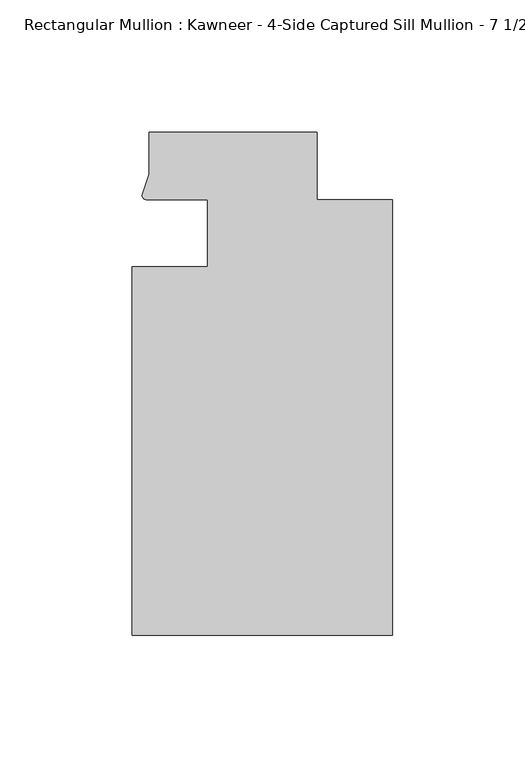
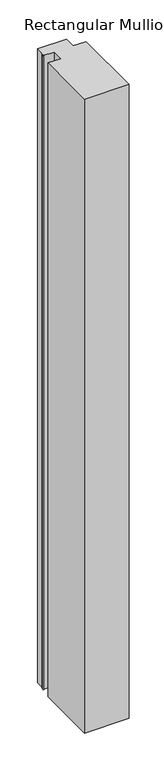
"""IFC4 building model written with IfcOpenShell, lengths in millimetres: member geometry."""

from ifc_helpers import new_model, si_unit, point, frame, frame_2d, origin, place, context, project, spatial, polyline, circle_curve, trimmed, segment, composite_curve, outline, extrude, source, transform, mapped, element, save


def member_b3d2f28e(model_context):
    return source(origin(), model_context, "Body", "SweptSolid", [
        extrude(outline(composite_curve([segment(polyline([(-69.85, -12.7), (-69.85, 12.700061), (-93.1091288, 12.700061)]), True, "CONTINUOUS"), segment(trimmed(circle_curve(frame_2d((-93.0262373, 14.401412)), 1.703369), [point((-93.1091288, 12.700061))], [point((-94.7258552, 14.2884292))], False, "CARTESIAN"), True, "CONTINUOUS"), segment(polyline([(-94.7258552, 14.2884292), (-92.075, 22.2250977), (-92.075, 38.1), (-28.575, 38.1), (-28.575, 12.7), (0.0, 12.7), (0.0, -151.892), (-98.425, -151.892), (-98.425, -12.7), (-69.85, -12.7)]), True, "CONTINUOUS")], self_intersect=False)), frame((0.0, 0.0, -1478.4151679), z_axis=(0.0, 0.0, 1.0), x_axis=(1.0, 0.0, 0.0)), (0.0, 0.0, 1.0), 1478.4151679),
    ])


if __name__ == "__main__":
    model = new_model("IFC4")
    model_context = context("Model", 3, world=origin())
    ifc_project = project(units=[si_unit("LENGTHUNIT", "METRE", prefix="MILLI")], contexts=[model_context])
    site = spatial("IfcSite", under=ifc_project)
    building = spatial("IfcBuilding", under=site)
    placement = place(None, origin())
    member_shape = member_b3d2f28e(model_context)
    element("IfcMember", 1, ObjectType="Rectangular Mullion : Kawneer - 4-Side Captured Sill Mullion - 7 1/2\"", at=placement, inside=building, context=model_context, shape_type="MappedRepresentation", body=[
        mapped(member_shape, transform((0.0, 0.0, 0.0), x_axis=(1.0, 0.0, 0.0), y_axis=(0.0, 1.0, 0.0), z_axis=(0.0, 0.0, 1.0))),
    ])
    save(model, "model.ifc")
